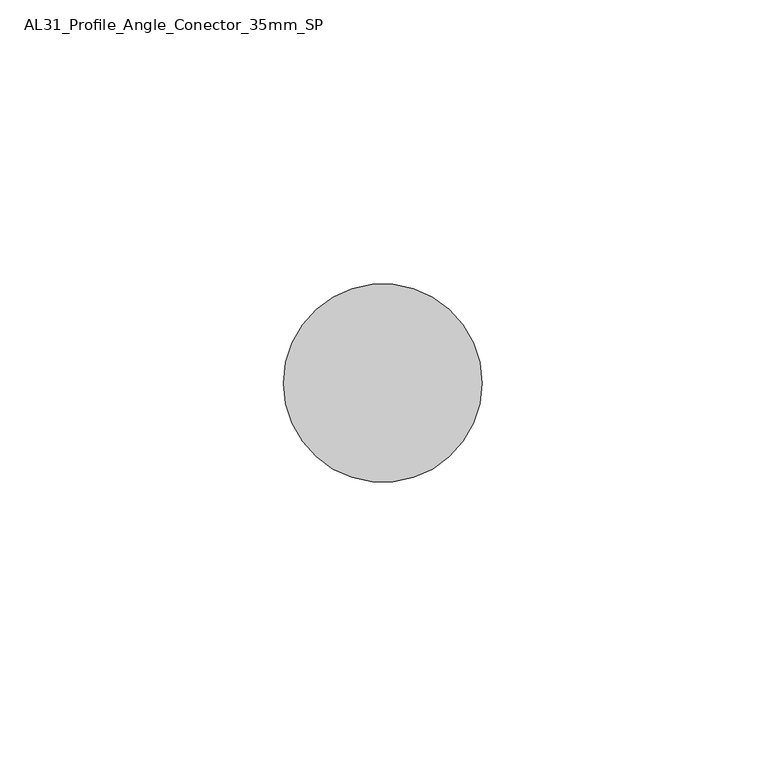
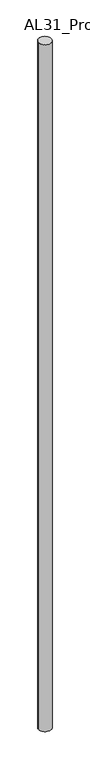
"""IFC4 building model written with IfcOpenShell, lengths in millimetres: member geometry, AL31_Profile_Angle_Conector_35mm_SP."""

from ifc_helpers import new_model, si_unit, point, frame, frame_2d, origin, place, context, project, spatial, circle_curve, trimmed, segment, composite_curve, outline, extrude, source, transform, mapped, element, save


def al31_profile_angle_conector_35mm_sp_b27781eb(model_context):
    return source(origin(), model_context, "Body", "SweptSolid", [
        extrude(outline(composite_curve([segment(trimmed(circle_curve(frame_2d((-17.5, 0.0)), 17.5), [point((-35.0, 0.0))], [point((0.0, 0.0))], False, "CARTESIAN"), True, "CONTINUOUS"), segment(trimmed(circle_curve(frame_2d((-17.5, 0.0)), 17.5), [point((0.0, 0.0))], [point((-35.0, 0.0))], False, "CARTESIAN"), True, "CONTINUOUS")], self_intersect=False)), frame((0.0, 0.0, -2000.0), z_axis=(0.0, 0.0, 1.0), x_axis=(1.0, 0.0, 0.0)), (0.0, 0.0, 1.0), 2000.0),
    ])


if __name__ == "__main__":
    model = new_model("IFC4")
    model_context = context("Model", 3, world=origin())
    ifc_project = project(units=[si_unit("LENGTHUNIT", "METRE", prefix="MILLI")], contexts=[model_context])
    site = spatial("IfcSite", under=ifc_project)
    building = spatial("IfcBuilding", under=site)
    placement = place(None, origin())
    al31_profile_angle_conector_35mm_sp_shape = al31_profile_angle_conector_35mm_sp_b27781eb(model_context)
    element("IfcMember", 1, ObjectType="AL31_Profile_Angle_Conector_35mm_SP", at=placement, inside=building, context=model_context, shape_type="MappedRepresentation", body=[
        mapped(al31_profile_angle_conector_35mm_sp_shape, transform((0.0, 0.0, 0.0), x_axis=(1.0, 0.0, 0.0), y_axis=(0.0, 1.0, 0.0), z_axis=(0.0, 0.0, 1.0))),
    ])
    save(model, "model.ifc")
